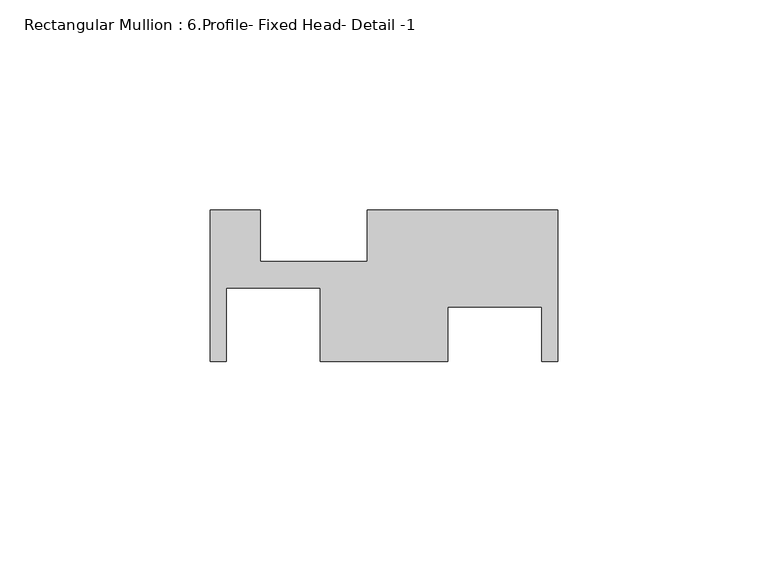
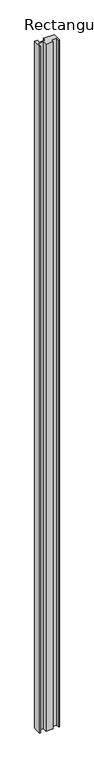
"""IFC4 building model written with IfcOpenShell, lengths in millimetres: member geometry, Rectangular Mullion : 6.Profile- Fixed Head- Detail -1."""

from ifc_helpers import new_model, si_unit, frame, origin, place, context, project, spatial, polyline, outline, extrude, source, transform, mapped, element, save


def rectangular_mullion_6_profile_fixed_head_detail_1_d3d958ca(model_context):
    return source(origin(), model_context, "Body", "SweptSolid", [
        extrude(outline(polyline([(-82.55, -20.3491233), (-82.55, 15.6426767), (-70.7136, 15.6426767), (-70.7136, 3.4252767), (-45.3136, 3.4252767), (-45.3136, 15.6426767), (0.0, 15.6426767), (0.0, -20.3491233), (-3.7338, -20.3491233), (-3.7338, -7.4205233), (-26.1112, -7.4205233), (-26.1112, -20.3491129), (-56.4388, -20.3491129), (-56.4388, -2.9247233), (-78.8162, -2.9247233), (-78.8162, -20.3491233), (-82.55, -20.3491233)])), frame((0.0, 0.0, -3048.0), z_axis=(0.0, 0.0, 1.0), x_axis=(1.0, 0.0, 0.0)), (0.0, 0.0, 1.0), 3048.0),
    ])


if __name__ == "__main__":
    model = new_model("IFC4")
    model_context = context("Model", 3, world=origin())
    ifc_project = project(units=[si_unit("LENGTHUNIT", "METRE", prefix="MILLI")], contexts=[model_context])
    site = spatial("IfcSite", under=ifc_project)
    building = spatial("IfcBuilding", under=site)
    placement = place(None, origin())
    rectangular_mullion_6_profile_fixed_head_detail_1_shape = rectangular_mullion_6_profile_fixed_head_detail_1_d3d958ca(model_context)
    element("IfcMember", 1, ObjectType="Rectangular Mullion : 6.Profile- Fixed Head- Detail -1", at=placement, inside=building, context=model_context, shape_type="MappedRepresentation", body=[
        mapped(rectangular_mullion_6_profile_fixed_head_detail_1_shape, transform((0.0, 0.0, 0.0), x_axis=(1.0, 0.0, 0.0), y_axis=(0.0, 1.0, 0.0), z_axis=(0.0, 0.0, 1.0))),
    ])
    save(model, "model.ifc")
